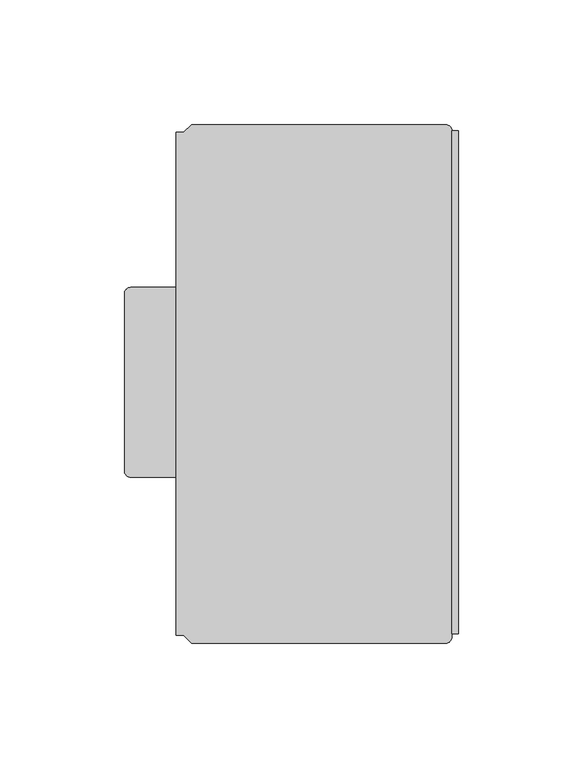
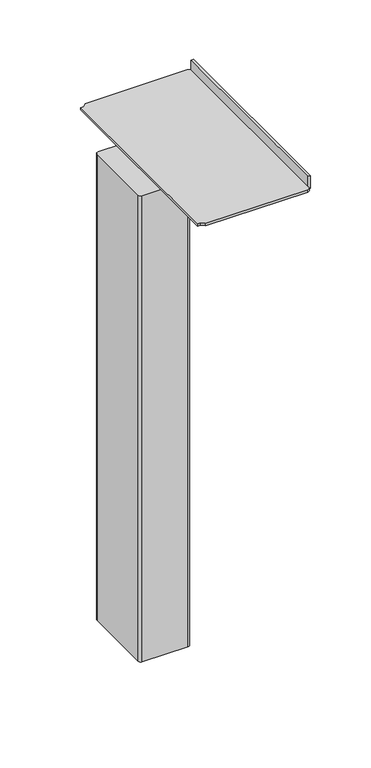
"""IFC4 building model written with IfcOpenShell, lengths in millimetres: furniture geometry."""

from ifc_helpers import new_model, si_unit, point, frame, frame_2d, origin, place, context, project, spatial, polyline, circle_curve, trimmed, segment, composite_curve, outline, extrude, source, transform, mapped, element, save
from ifc_brep_helpers import plane_surface, cylinder_surface, advanced_brep


def furniture_fafd7135(model_context):
    return source(origin(), model_context, "Body", "SolidModel", [
        advanced_brep(
        [(29.5907084, 64.7885645, 1053.211), (131.633251, 64.7885645, 1053.211), (134.173251, 62.2485645, 1053.211), (136.7132486, 62.2485623, 1053.211), (136.7132486, -139.706834, 1053.211), (134.173251, -139.706834, 1053.211), (134.173251, -140.9768395, 1053.211), (131.633251, -143.5168395, 1053.211), (29.5907084, -143.5168395, 1053.211), (26.4157091, -140.3418334, 1053.211), (23.3680004, -140.3418334, 1053.211), (23.3680004, 61.6135629, 1053.211), (26.4157091, 61.6135629, 1053.211), (29.5907084, 64.7885645, 1055.7510136), (26.4157091, 61.6135629, 1055.7510136), (23.3680004, 61.6135629, 1055.7510136), (23.3680004, -140.3418334, 1055.7510136), (26.4157091, -140.3418334, 1055.7510136), (29.5907084, -143.5168395, 1055.7510136), (131.633251, -143.5168395, 1055.7510136), (134.173251, -140.9768395, 1055.7510136), (134.173251, -139.706834, 1055.7510136), (134.173251, 62.2485623, 1055.7510136), (131.633251, 64.7885645, 1055.7510136), (136.7132486, -139.706834, 1066.4189671), (134.173251, -139.706834, 1066.4189671), (134.173251, 62.2485623, 1066.4189671), (136.7132486, 62.2485623, 1066.4189671)],
        [
            (0, 1),
            (1, 2, circle_curve(frame((131.633251, 62.2485645, 1053.211), z_axis=(0.0, 0.0, -1.0), x_axis=(0.0, -1.0, 0.0)), 2.54)),
            (2, 3),
            (3, 4),
            (4, 5),
            (5, 6),
            (6, 7, circle_curve(frame((131.633251, -140.9768395, 1053.211), z_axis=(0.0, 0.0, -1.0), x_axis=(0.0, -1.0, 0.0)), 2.54)),
            (7, 8),
            (8, 9),
            (9, 10),
            (10, 11),
            (11, 12),
            (12, 0),
            (13, 14),
            (14, 15),
            (15, 16),
            (16, 17),
            (17, 18),
            (18, 19),
            (19, 20, circle_curve(frame((131.633251, -140.9768395, 1055.7510136), z_axis=(0.0, 0.0, 1.0), x_axis=(0.0, -1.0, 0.0)), 2.54)),
            (20, 21),
            (21, 22),
            (22, 23, circle_curve(frame((131.633251, 62.2485645, 1055.7510136), z_axis=(0.0, 0.0, 1.0), x_axis=(0.0, -1.0, 0.0)), 2.54)),
            (23, 13),
            (0, 13),
            (23, 1),
            (22, 2),
            (20, 6),
            (5, 21),
            (19, 7),
            (18, 8),
            (10, 16),
            (15, 11),
            (17, 9),
            (14, 12),
            (4, 24),
            (24, 25),
            (25, 21),
            (26, 27),
            (27, 3),
            (22, 26),
            (25, 26),
            (27, 24),
        ],
        [
            plane_surface(frame((103.0582534, 64.7885645, 1053.211), z_axis=(0.0, 0.0, -1.0), x_axis=(1.0, 0.0, 0.0))),
            plane_surface(frame((103.0582534, 64.7885645, 1055.7510136), z_axis=(0.0, 0.0, 1.0), x_axis=(-1.0, 0.0, 0.0))),
            plane_surface(frame((29.5907084, 64.7885645, 1053.211), z_axis=(0.0, 1.0, 0.0), x_axis=(0.0, 0.0, 1.0))),
            cylinder_surface(frame((131.633251, 62.2485645, 1055.7510136), z_axis=(0.0, 0.0, -1.0), x_axis=(0.0, -1.0, 0.0)), 2.54),
            plane_surface(frame((134.173251, 62.2485645, 1053.211), z_axis=(1.0, 0.0, 0.0), x_axis=(0.0, 0.0, 1.0))),
            cylinder_surface(frame((131.633251, -140.9768395, 1055.7510136), z_axis=(0.0, 0.0, -1.0), x_axis=(0.0, -1.0, 0.0)), 2.54),
            plane_surface(frame((131.633251, -143.5168395, 1053.211), z_axis=(0.0, -1.0, 0.0), x_axis=(0.0, 0.0, 1.0))),
            plane_surface(frame((23.3680004, -140.3418334, 1053.211), z_axis=(-1.0, 0.0, 0.0), x_axis=(0.0, 0.0, 1.0))),
            plane_surface(frame((29.5907084, -143.5168395, 1053.211), z_axis=(-0.7071075398287812, -0.7071060225435, 0.0), x_axis=(0.0, 0.0, 1.0))),
            plane_surface(frame((26.4157091, -140.3418334, 1053.211), z_axis=(0.0, -1.0, 0.0), x_axis=(0.0, 0.0, 1.0))),
            plane_surface(frame((23.3680004, 61.6135629, 1053.211), z_axis=(0.0, 1.0, 0.0), x_axis=(0.0, 0.0, 1.0))),
            plane_surface(frame((26.4157091, 61.6135629, 1053.211), z_axis=(-0.7071070340675647, 0.70710652830544, 0.0), x_axis=(0.0, 0.0, 1.0))),
            plane_surface(frame((134.173251, -139.706834, 1066.4189671), z_axis=(0.0, -1.0, 0.0), x_axis=(0.0, 0.0, -1.0))),
            plane_surface(frame((134.173251, 62.2485623, 1066.4189671), z_axis=(0.0, 1.0, 0.0), x_axis=(0.0, 0.0, 1.0))),
            plane_surface(frame((134.173251, -139.706834, 1066.4189671), z_axis=(-1.0, 0.0, 0.0), x_axis=(0.0, 1.0, 0.0))),
            plane_surface(frame((136.7132486, -139.706834, 1053.211), z_axis=(1.0, 0.0, 0.0), x_axis=(0.0, 1.0, 0.0))),
            plane_surface(frame((136.7132486, -139.706834, 1066.4189671), z_axis=(0.0, 0.0, 1.0), x_axis=(0.0, 1.0, 0.0))),
        ],
        [
            (0, [[1, 2, 3, 4, 5, 6, 7, 8, 9, 10, 11, 12, 13]]),
            (1, [[14, 15, 16, 17, 18, 19, 20, 21, 22, 23, 24]]),
            (2, [[-1, 25, -24, 26]]),
            (3, [[-2, -26, -23, 27]]),
            (4, [[28, -6, 29, -21]]),
            (5, [[-7, -28, -20, 30]]),
            (6, [[-8, -30, -19, 31]]),
            (7, [[-11, 32, -16, 33]]),
            (8, [[-9, -31, -18, 34]]),
            (9, [[-10, -34, -17, -32]]),
            (10, [[-12, -33, -15, 35]]),
            (11, [[-13, -35, -14, -25]]),
            (12, [[-5, 36, 37, 38, -29]]),
            (13, [[39, 40, -3, -27, 41]]),
            (14, [[42, -41, -22, -38]]),
            (15, [[-36, -4, -40, 43]]),
            (16, [[-37, -43, -39, -42]]),
        ],
    ),
        extrude(outline(composite_curve([segment(trimmed(circle_curve(frame_2d((40.9571708, -49.3434032)), 1.27), [point((42.0570231, -48.7084032))], [point((40.9571708, -50.6134032))], False, "CARTESIAN"), True, "CONTINUOUS"), segment(polyline([(40.9571708, -50.6134032), (27.172357, -50.6134032)]), True, "CONTINUOUS"), segment(trimmed(circle_curve(frame_2d((27.172357, -49.3434032)), 1.27), [point((27.172357, -50.6134032))], [point((26.0725047, -49.9784032))], False, "CARTESIAN"), True, "CONTINUOUS"), segment(polyline([(26.0725047, -49.9784032), (13.8229746, -28.7615956)]), True, "CONTINUOUS"), segment(trimmed(circle_curve(frame_2d((14.9228268, -28.1265956)), 1.27), [point((13.8229746, -28.7615956))], [point((14.9228268, -26.8565956))], False, "CARTESIAN"), True, "CONTINUOUS"), segment(polyline([(14.9228268, -26.8565956), (28.707643, -26.8565956)]), True, "CONTINUOUS"), segment(trimmed(circle_curve(frame_2d((28.707643, -28.1265956)), 1.27), [point((28.707643, -26.8565956))], [point((29.8074953, -27.4915957))], False, "CARTESIAN"), True, "CONTINUOUS"), segment(polyline([(29.8074953, -27.4915957), (42.0570231, -48.7084032)]), True, "CONTINUOUS")], self_intersect=False)), frame((0.0, 0.0, 552.45), z_axis=(0.0, 0.0, 1.0), x_axis=(1.0, 0.0, 0.0)), (0.0, 0.0, 1.0), 6.3500121),
        extrude(outline(composite_curve([segment(trimmed(circle_curve(frame_2d((27.9399996, -38.7350004)), 3.9687492), [point((27.9399996, -34.7662512))], [point((27.9399996, -42.7037496))], False, "CARTESIAN"), True, "CONTINUOUS"), segment(trimmed(circle_curve(frame_2d((27.9399996, -38.7350004)), 3.9687492), [point((27.9399996, -42.7037496))], [point((27.9399996, -34.7662512))], False, "CARTESIAN"), True, "CONTINUOUS")], self_intersect=False)), frame((0.0, 0.0, 558.8000121), z_axis=(0.0, 0.0, 1.0), x_axis=(1.0, 0.0, 0.0)), (0.0, 0.0, 1.0), 3.1749879),
        extrude(outline(composite_curve([segment(trimmed(circle_curve(frame_2d((5.0799976, -3.175)), 2.54), [point((2.5399976, -3.175))], [point((5.0799976, -0.635))], False, "CARTESIAN"), True, "CONTINUOUS"), segment(polyline([(5.0799976, -0.635), (50.7999991, -0.635)]), True, "CONTINUOUS"), segment(trimmed(circle_curve(frame_2d((50.7999991, -3.175)), 2.54), [point((50.7999991, -0.635))], [point((53.3399991, -3.175))], False, "CARTESIAN"), True, "CONTINUOUS"), segment(polyline([(53.3399991, -3.175), (53.3399991, -74.2949994)]), True, "CONTINUOUS"), segment(trimmed(circle_curve(frame_2d((50.7999991, -74.2949994)), 2.54), [point((53.3399991, -74.2949994))], [point((50.7999991, -76.8349994))], False, "CARTESIAN"), True, "CONTINUOUS"), segment(polyline([(50.7999991, -76.8349994), (5.0799976, -76.8349994)]), True, "CONTINUOUS"), segment(trimmed(circle_curve(frame_2d((5.0799976, -74.2949994)), 2.54), [point((5.0799976, -76.8349994))], [point((2.5399976, -74.2949994))], False, "CARTESIAN"), True, "CONTINUOUS"), segment(polyline([(2.5399976, -74.2949994), (2.5399976, -3.175)]), True, "CONTINUOUS")], self_intersect=False)), frame((0.0, 0.0, 561.975), z_axis=(0.0, 0.0, 1.0), x_axis=(1.0, 0.0, 0.0)), (0.0, 0.0, 1.0), 491.236),
    ])


if __name__ == "__main__":
    model = new_model("IFC4")
    model_context = context("Model", 3, world=origin())
    ifc_project = project(units=[si_unit("LENGTHUNIT", "METRE", prefix="MILLI")], contexts=[model_context])
    site = spatial("IfcSite", under=ifc_project)
    building = spatial("IfcBuilding", under=site)
    placement = place(None, origin())
    furniture_shape = furniture_fafd7135(model_context)
    element("IfcFurniture", 1, at=placement, inside=building, context=model_context, shape_type="MappedRepresentation", body=[
        mapped(furniture_shape, transform((0.0, 0.0, 0.0), x_axis=(1.0, 0.0, 0.0), y_axis=(0.0, 1.0, 0.0), z_axis=(0.0, 0.0, 1.0))),
    ])
    save(model, "model.ifc")
